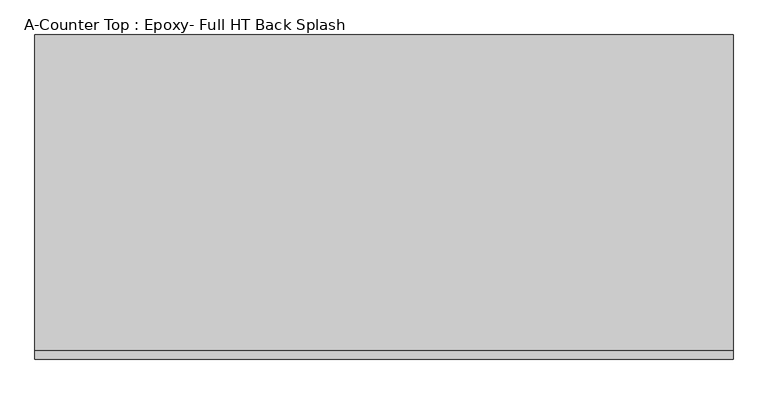
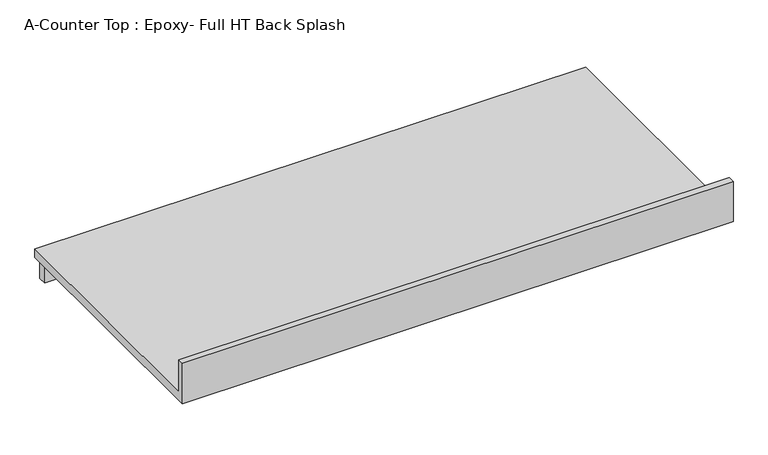
"""IFC4 building model written with IfcOpenShell, lengths in millimetres: furniture geometry, A-Counter Top : Epoxy- Full HT Back Splash."""

from ifc_helpers import new_model, si_unit, frame, origin, place, context, project, spatial, polyline, outline, extrude, source, transform, mapped, element, save


def a_counter_top_epoxy_full_ht_back_splash_e0482e1e(model_context):
    return source(origin(), model_context, "Body", "SweptSolid", [
        extrude(outline(polyline([(0.0, 1041.4), (19.05, 1041.4), (19.05, 939.8), (762.0, 939.8), (762.0, 914.4), (0.0, 914.4), (0.0, 1041.4)])), frame((-1327.4622951, 0.0, 0.0), z_axis=(1.0, 0.0, 0.0), x_axis=(0.0, 1.0, 0.0)), (0.0, 0.0, 1.0), 1641.475),
        extrude(outline(polyline([(314.0127049, 711.2), (-1327.4622951, 711.2), (-1327.4622951, 736.6), (314.0127049, 736.6), (314.0127049, 711.2)])), frame((0.0, 0.0, 863.6), z_axis=(0.0, 0.0, 1.0), x_axis=(1.0, 0.0, 0.0)), (0.0, 0.0, 1.0), 50.8),
    ])


if __name__ == "__main__":
    model = new_model("IFC4")
    model_context = context("Model", 3, world=origin())
    ifc_project = project(units=[si_unit("LENGTHUNIT", "METRE", prefix="MILLI")], contexts=[model_context])
    site = spatial("IfcSite", under=ifc_project)
    building = spatial("IfcBuilding", under=site)
    placement = place(None, origin())
    a_counter_top_epoxy_full_ht_back_splash_shape = a_counter_top_epoxy_full_ht_back_splash_e0482e1e(model_context)
    element("IfcFurniture", 1, ObjectType="A-Counter Top : Epoxy- Full HT Back Splash", at=placement, inside=building, context=model_context, shape_type="MappedRepresentation", body=[
        mapped(a_counter_top_epoxy_full_ht_back_splash_shape, transform((0.0, 0.0, 0.0), x_axis=(1.0, 0.0, 0.0), y_axis=(0.0, 1.0, 0.0), z_axis=(0.0, 0.0, 1.0))),
    ])
    save(model, "model.ifc")
